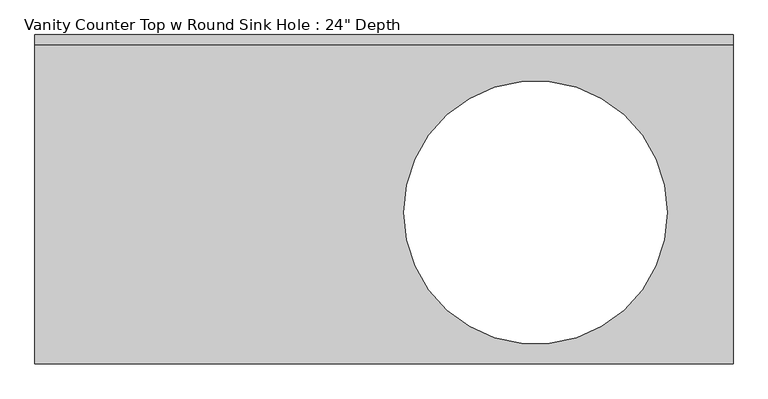
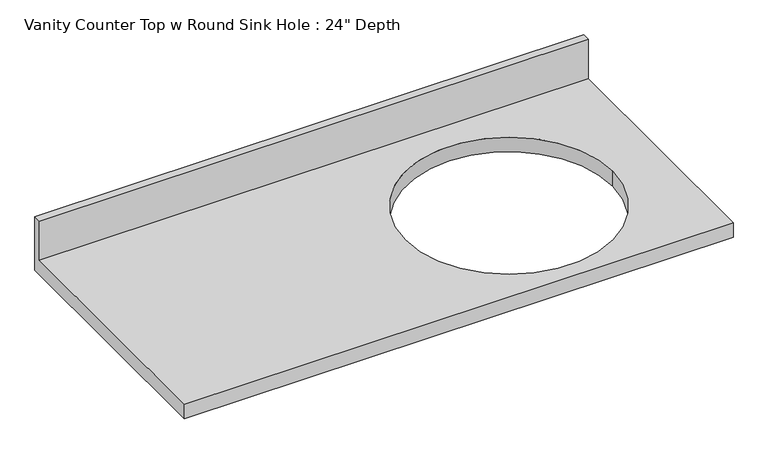
"""IFC4 building model written with IfcOpenShell, lengths in millimetres: furniture geometry."""

from ifc_helpers import new_model, si_unit, frame, origin, place, context, project, spatial, polyline, circle_curve, source, transform, mapped, element, save
from ifc_brep_helpers import plane_surface, revolved_surface, advanced_brep


def furniture_ca06237e(model_context):
    return source(origin(), model_context, "Body", "AdvancedBrep", [
        advanced_brep(
        [(-1327.4622951, -635.0, 787.4), (18.7377049, -635.0, 787.4), (18.7377049, -19.05, 787.4), (-1327.4622951, -19.05, 787.4), (-108.2622951, -342.9, 787.4), (-616.2622951, -342.9, 787.4), (18.7377049, 0.0, 749.3), (18.7377049, -635.0, 749.3), (-1327.4622951, -635.0, 749.3), (-1327.4622951, 0.0, 749.3), (-616.2622951, -342.9, 749.3), (-108.2622951, -342.9, 749.3), (-1327.4622951, 0.0, 889.0), (18.7377049, 0.0, 889.0), (-1327.4622951, -19.05, 889.0), (18.7377049, -19.05, 889.0)],
        [
            (0, 1),
            (1, 2),
            (2, 3),
            (3, 0),
            (4, 5, circle_curve(frame((-362.2622951, -342.9, 787.4), z_axis=(0.0, 0.0, -1.0), x_axis=(1.0, 0.0, 0.0)), 254.0)),
            (5, 4, circle_curve(frame((-362.2622951, -342.9, 787.4), z_axis=(0.0, 0.0, -1.0), x_axis=(1.0, 0.0, 0.0)), 254.0)),
            (6, 7),
            (7, 8),
            (8, 9),
            (9, 6),
            (10, 11, circle_curve(frame((-362.2622951, -342.9, 749.3), z_axis=(0.0, 0.0, 1.0), x_axis=(1.0, 0.0, 0.0)), 254.0)),
            (11, 10, circle_curve(frame((-362.2622951, -342.9, 749.3), z_axis=(0.0, 0.0, 1.0), x_axis=(1.0, 0.0, 0.0)), 254.0)),
            (9, 12),
            (12, 13),
            (13, 6),
            (8, 0),
            (3, 14),
            (14, 12),
            (7, 1),
            (13, 15),
            (15, 2),
            (14, 15),
            (4, 11),
            (10, 5),
        ],
        [
            plane_surface(frame((-1327.4622951, 0.0, 787.4), z_axis=(0.0, 0.0, 1.0), x_axis=(-1.0, 0.0, 0.0))),
            plane_surface(frame((-1327.4622951, 0.0, 749.3), z_axis=(0.0, 0.0, -1.0), x_axis=(1.0, 0.0, 0.0))),
            plane_surface(frame((18.7377049, 0.0, 787.4), z_axis=(0.0, 1.0, 0.0), x_axis=(0.0, 0.0, -1.0))),
            plane_surface(frame((-1327.4622951, 0.0, 787.4), z_axis=(-1.0, 0.0, 0.0), x_axis=(0.0, 0.0, -1.0))),
            plane_surface(frame((-1327.4622951, -635.0, 787.4), z_axis=(0.0, -1.0, 0.0), x_axis=(0.0, 0.0, -1.0))),
            plane_surface(frame((18.7377049, -635.0, 787.4), z_axis=(1.0, 0.0, 0.0), x_axis=(0.0, 0.0, -1.0))),
            plane_surface(frame((-1327.4622951, 0.0, 889.0), z_axis=(0.0, 0.0, 1.0), x_axis=(0.0, -1.0, 0.0))),
            plane_surface(frame((-1327.4622951, -19.05, 889.0), z_axis=(0.0, -1.0, 0.0), x_axis=(0.0, 0.0, -1.0))),
            revolved_surface(polyline([(-108.26229510000002, -342.9, 787.4), (-108.26229510000002, -342.9, 749.3)]), (-362.2622951, -342.9, 749.3), (0.0, 0.0, 1.0)),
        ],
        [
            (0, [[1, 2, 3, 4], [5, 6]]),
            (1, [[7, 8, 9, 10], [11, 12]]),
            (2, [[-10, 13, 14, 15]]),
            (3, [[-9, 16, -4, 17, 18, -13]]),
            (4, [[-1, -16, -8, 19]]),
            (5, [[-7, -15, 20, 21, -2, -19]]),
            (6, [[-18, 22, -20, -14]]),
            (7, [[-22, -17, -3, -21]]),
            (8, [[23, -11, 24, -5]]),
            (8, [[-23, -6, -24, -12]]),
        ],
    ),
    ])


if __name__ == "__main__":
    model = new_model("IFC4")
    model_context = context("Model", 3, world=origin())
    ifc_project = project(units=[si_unit("LENGTHUNIT", "METRE", prefix="MILLI")], contexts=[model_context])
    site = spatial("IfcSite", under=ifc_project)
    building = spatial("IfcBuilding", under=site)
    placement = place(None, origin())
    furniture_shape = furniture_ca06237e(model_context)
    element("IfcFurniture", 1, ObjectType="Vanity Counter Top w Round Sink Hole : 24\" Depth", at=placement, inside=building, context=model_context, shape_type="MappedRepresentation", body=[
        mapped(furniture_shape, transform((0.0, 0.0, 0.0), x_axis=(1.0, 0.0, 0.0), y_axis=(0.0, 1.0, 0.0), z_axis=(0.0, 0.0, 1.0))),
    ])
    save(model, "model.ifc")
